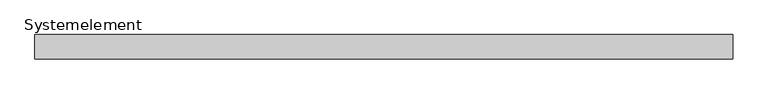
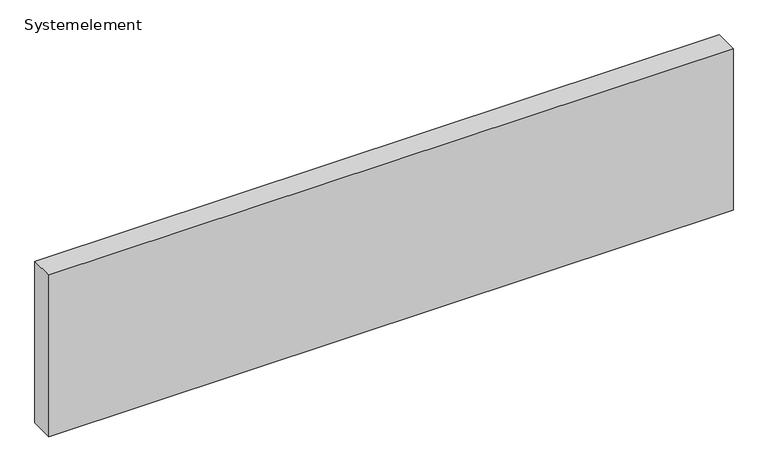
"""IFC4 building model written with IfcOpenShell, lengths in millimetres: plate geometry, Systemelement."""

from ifc_helpers import new_model, si_unit, origin, origin_with_axes, place, context, project, spatial, polyline, outline, extrude, source, transform, mapped, element, save


def systemelement_efeb4475(model_context):
    return source(origin(), model_context, "Body", "SweptSolid", [
        extrude(outline(polyline([(2000.0, -140.0), (-2000.0, -140.0), (-2000.0, 0.0), (2000.0, 0.0), (2000.0, -140.0)])), origin_with_axes(), (0.0, 0.0, 1.0), 1000.0),
    ])


if __name__ == "__main__":
    model = new_model("IFC4")
    model_context = context("Model", 3, world=origin())
    ifc_project = project(units=[si_unit("LENGTHUNIT", "METRE", prefix="MILLI")], contexts=[model_context])
    site = spatial("IfcSite", under=ifc_project)
    building = spatial("IfcBuilding", under=site)
    placement = place(None, origin())
    systemelement_shape = systemelement_efeb4475(model_context)
    element("IfcPlate", 1, ObjectType="Systemelement", at=placement, inside=building, context=model_context, shape_type="MappedRepresentation", body=[
        mapped(systemelement_shape, transform((0.0, 0.0, 0.0), x_axis=(1.0, 0.0, 0.0), y_axis=(0.0, 1.0, 0.0), z_axis=(0.0, 0.0, 1.0))),
    ])
    save(model, "model.ifc")
